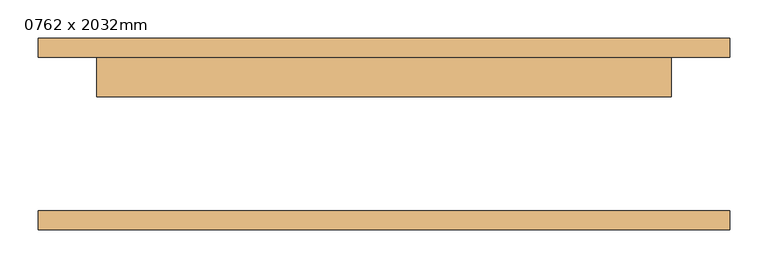
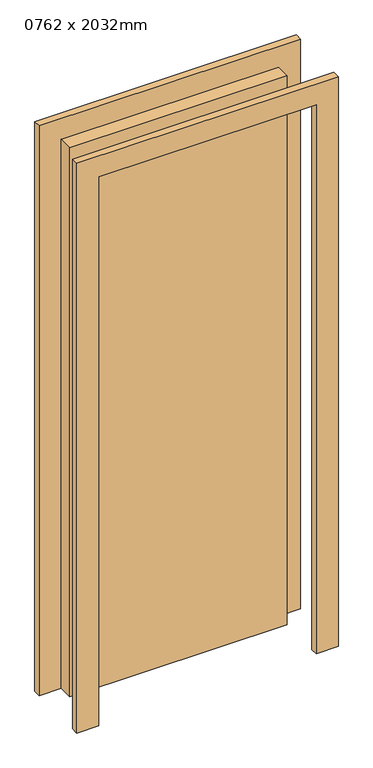
"""IFC4 building model written with IfcOpenShell, lengths in millimetres: door geometry, 0762 x 2032mm."""

from ifc_helpers import new_model, si_unit, frame, origin, origin_with_axes, place, context, project, spatial, polyline, outline, extrude, source, transform, mapped, element, save


def door_0762_x_2032mm_a20e56fa(model_context):
    return source(origin(), model_context, "Body", "SweptSolid", [
        extrude(outline(polyline([(2076.0, -451.0), (0.0, -451.0), (0.0, -375.0), (2000.0, -375.0), (2000.0, 375.0), (0.0, 375.0), (0.0, 451.0), (2076.0, 451.0), (2076.0, -451.0)])), frame((0.0, 100.0, 0.0), z_axis=(0.0, 1.0, 0.0), x_axis=(0.0, 0.0, 1.0)), (0.0, 0.0, 1.0), 25.0),
        extrude(outline(polyline([(2076.0, 451.0), (2076.0, -451.0), (0.0, -451.0), (0.0, -375.0), (2000.0, -375.0), (2000.0, 375.0), (0.0, 375.0), (0.0, 451.0), (2076.0, 451.0)])), frame((0.0, -125.0, 0.0), z_axis=(0.0, 1.0, 0.0), x_axis=(0.0, 0.0, 1.0)), (0.0, 0.0, 1.0), 25.0),
        extrude(outline(polyline([(375.0, 49.0), (-375.0, 49.0), (-375.0, 100.0), (375.0, 100.0), (375.0, 49.0)])), origin_with_axes(), (0.0, 0.0, 1.0), 2000.0),
    ])


if __name__ == "__main__":
    model = new_model("IFC4")
    model_context = context("Model", 3, world=origin())
    ifc_project = project(units=[si_unit("LENGTHUNIT", "METRE", prefix="MILLI")], contexts=[model_context])
    site = spatial("IfcSite", under=ifc_project)
    building = spatial("IfcBuilding", under=site)
    placement = place(None, origin())
    door_0762_x_2032mm_shape = door_0762_x_2032mm_a20e56fa(model_context)
    element("IfcDoor", 1, ObjectType="0762 x 2032mm", at=placement, inside=building, context=model_context, shape_type="MappedRepresentation", body=[
        mapped(door_0762_x_2032mm_shape, transform((0.0, 0.0, 0.0), x_axis=(1.0, 0.0, 0.0), y_axis=(0.0, 1.0, 0.0), z_axis=(0.0, 0.0, 1.0))),
    ])
    save(model, "model.ifc")
